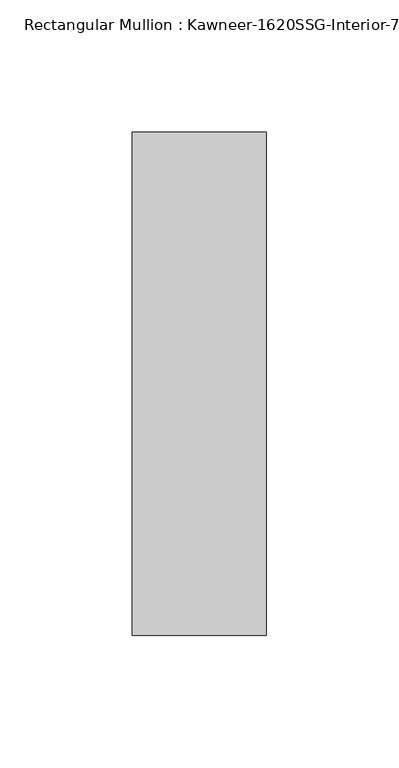
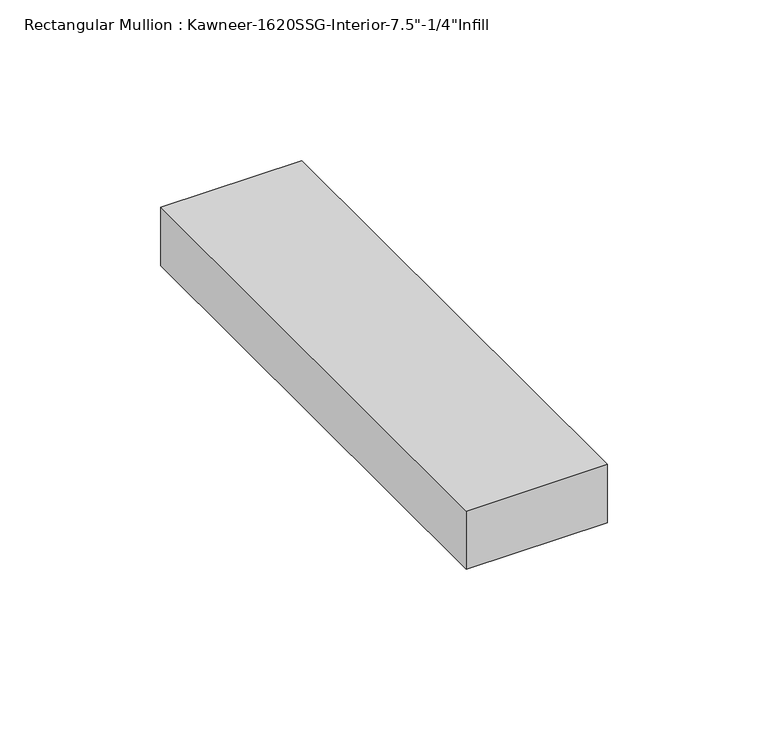
"""IFC4 building model written with IfcOpenShell, lengths in millimetres: member geometry."""

from ifc_helpers import new_model, si_unit, frame, origin, place, context, project, spatial, polyline, outline, extrude, source, transform, mapped, element, save


def member_5c575fff(model_context):
    return source(origin(), model_context, "Body", "SweptSolid", [
        extrude(outline(polyline([(25.4, -161.925), (-25.4, -161.925), (-25.4, 28.575), (25.4, 28.575), (25.4, -161.925)])), frame((0.0, 0.0, -22.225), z_axis=(0.0, 0.0, 1.0), x_axis=(1.0, 0.0, 0.0)), (0.0, 0.0, 1.0), 22.225),
    ])


if __name__ == "__main__":
    model = new_model("IFC4")
    model_context = context("Model", 3, world=origin())
    ifc_project = project(units=[si_unit("LENGTHUNIT", "METRE", prefix="MILLI")], contexts=[model_context])
    site = spatial("IfcSite", under=ifc_project)
    building = spatial("IfcBuilding", under=site)
    placement = place(None, origin())
    member_shape = member_5c575fff(model_context)
    element("IfcMember", 1, ObjectType="Rectangular Mullion : Kawneer-1620SSG-Interior-7.5\"-1/4\"Infill", at=placement, inside=building, context=model_context, shape_type="MappedRepresentation", body=[
        mapped(member_shape, transform((0.0, 0.0, 0.0), x_axis=(1.0, 0.0, 0.0), y_axis=(0.0, 1.0, 0.0), z_axis=(0.0, 0.0, 1.0))),
    ])
    save(model, "model.ifc")
